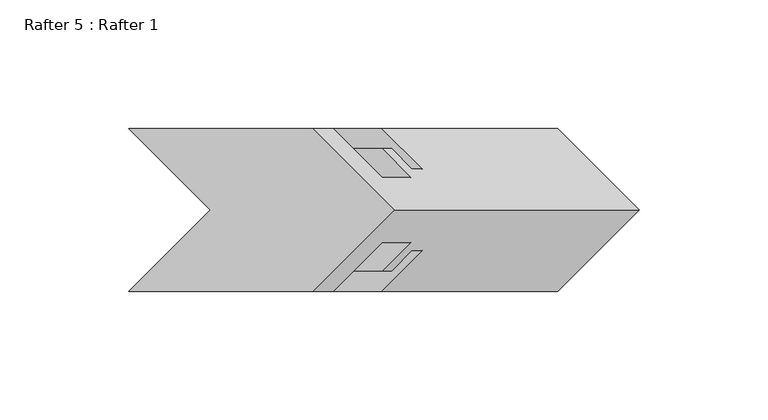
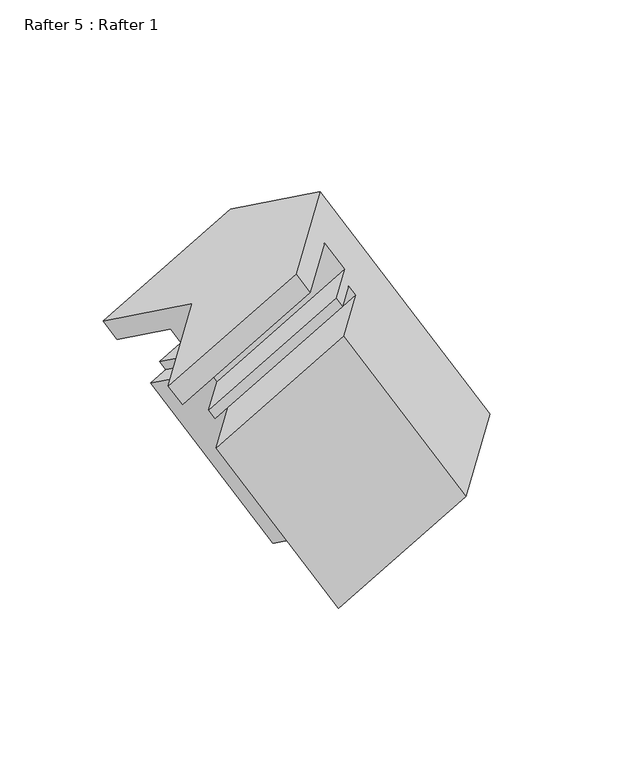
"""IFC4 building model written with IfcOpenShell, lengths in millimetres: proxy geometry, Rafter 5 : Rafter 1."""

from ifc_helpers import new_model, si_unit, origin, place, context, project, spatial, faceted_brep, source, transform, mapped, element, save


def rafter_5_rafter_1_f577b902(model_context):
    return source(origin(), model_context, "Body", "Brep", [
        faceted_brep([(13371.4136637, 12538.2097442, 2004.2899176), (13443.0323112, 12538.2097442, 2045.6389631), (13474.7823112, 12569.9597442, 2063.9698341), (13443.0323112, 12601.7097442, 2045.6389631), (13371.4136637, 12601.7097442, 2004.2899176), (13403.1636637, 12569.9597442, 2022.6207887), (13379.3511637, 12538.2097442, 1990.5417643), (13450.9698112, 12538.2097442, 2031.8908098), (13398.4011637, 12557.2597442, 2001.540287), (13470.0198112, 12557.2597442, 2042.8893324), (13409.6406637, 12557.2597442, 1982.0729019), (13481.2593112, 12557.2597442, 2023.4219474), (13398.5154637, 12546.1345442, 1975.6497647), (13470.1341112, 12546.1345442, 2016.9988102), (13402.0968637, 12546.1345442, 1969.4465979), (13473.7155112, 12546.1345442, 2010.7956434), (13410.0470637, 12554.0847442, 1974.036648), (13481.6657112, 12554.0847442, 2015.3856935), (13413.9967637, 12554.0847442, 1967.195567), (13485.6154112, 12554.0847442, 2008.5446124), (13398.1217637, 12538.2097442, 1958.0301314), (13469.7404112, 12538.2097442, 1999.3791769), (13466.7906637, 12538.2097442, 1839.0921077), (13538.4093112, 12538.2097442, 1880.4411532), (13498.5406637, 12569.9597442, 1857.4229788), (13466.7906637, 12601.7097442, 1839.0921077), (13538.4093112, 12601.7097442, 1880.4411532), (13570.1593112, 12569.9597442, 1898.7720243), (13398.1217637, 12601.7097442, 1958.0301314), (13469.7404112, 12601.7097442, 1999.3791769), (13413.9967637, 12585.8347442, 1967.195567), (13485.6154112, 12585.8347442, 2008.5446124), (13410.0470637, 12585.8347442, 1974.036648), (13481.6657112, 12585.8347442, 2015.3856935), (13402.0968637, 12593.7849442, 1969.4465979), (13473.7155112, 12593.7849442, 2010.7956434), (13398.5154637, 12593.7849442, 1975.6497647), (13470.1341112, 12593.7849442, 2016.9988102), (13409.6406637, 12582.6597442, 1982.0729019), (13481.2593112, 12582.6597442, 2023.4219474), (13398.4011637, 12582.6597442, 2001.540287), (13470.0198112, 12582.6597442, 2042.8893324), (13379.3511637, 12601.7097442, 1990.5417643), (13450.9698112, 12601.7097442, 2031.8908098)], [[[0, 1, 2, 3, 4, 5]], [[1, 0, 6, 7]], [[7, 6, 8, 9]], [[9, 8, 10, 11]], [[11, 10, 12, 13]], [[13, 12, 14, 15]], [[15, 14, 16, 17]], [[17, 16, 18, 19]], [[19, 18, 20, 21]], [[21, 20, 22, 23]], [[23, 22, 24, 25, 26, 27]], [[26, 25, 28, 29]], [[29, 28, 30, 31]], [[31, 30, 32, 33]], [[33, 32, 34, 35]], [[35, 34, 36, 37]], [[37, 36, 38, 39]], [[39, 38, 40, 41]], [[41, 40, 42, 43]], [[43, 42, 4, 3]], [[24, 5, 4, 42, 40, 38, 36, 34, 32, 30, 28, 25]], [[5, 24, 22, 20, 18, 16, 14, 12, 10, 8, 6, 0]], [[2, 27, 26, 29, 31, 33, 35, 37, 39, 41, 43, 3]], [[27, 2, 1, 7, 9, 11, 13, 15, 17, 19, 21, 23]]]),
    ])


if __name__ == "__main__":
    model = new_model("IFC4")
    model_context = context("Model", 3, world=origin())
    ifc_project = project(units=[si_unit("LENGTHUNIT", "METRE", prefix="MILLI")], contexts=[model_context])
    site = spatial("IfcSite", under=ifc_project)
    building = spatial("IfcBuilding", under=site)
    placement = place(None, origin())
    rafter_5_rafter_1_shape = rafter_5_rafter_1_f577b902(model_context)
    element("IfcBuildingElementProxy", 1, Name="Rafter 5 : Rafter 1", ObjectType="Rafter 5 : Rafter 1", at=placement, inside=building, context=model_context, shape_type="MappedRepresentation", body=[
        mapped(rafter_5_rafter_1_shape, transform((0.0, 0.0, 0.0), x_axis=(1.0, 0.0, 0.0), y_axis=(0.0, 1.0, 0.0), z_axis=(0.0, 0.0, 1.0))),
    ])
    save(model, "model.ifc")
